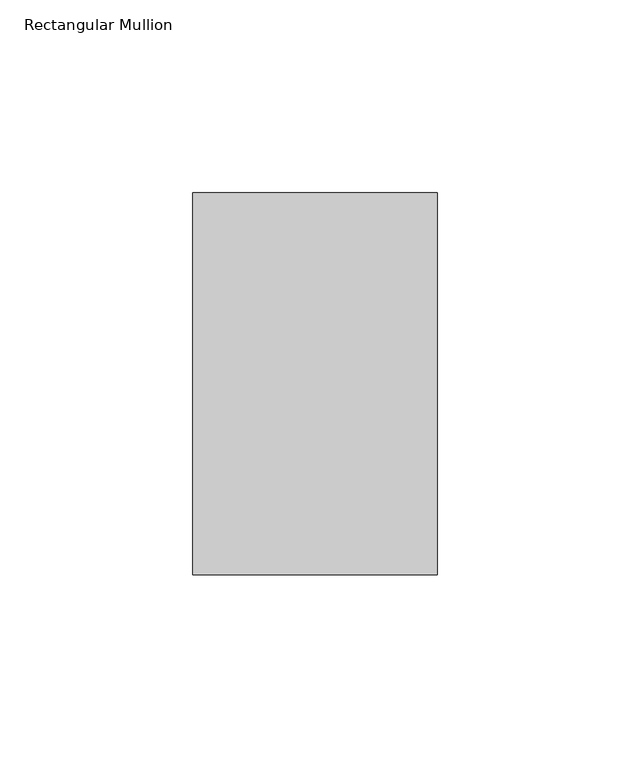
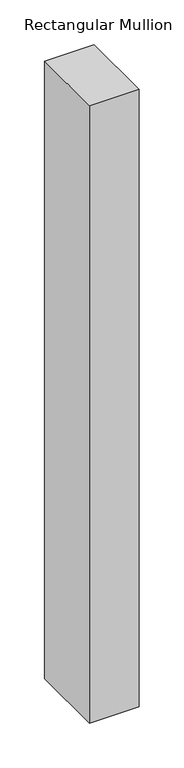
"""IFC4 building model written with IfcOpenShell, lengths in millimetres: member geometry, Rectangular Mullion."""

from ifc_helpers import new_model, si_unit, frame, origin, place, context, project, spatial, polyline, outline, extrude, source, transform, mapped, element, save


def rectangular_mullion_09d5aba9(model_context):
    return source(origin(), model_context, "Body", "SweptSolid", [
        extrude(outline(polyline([(31.75, 138.7038437), (31.75, 39.3898437), (-31.75, 39.3898437), (-31.75, 138.7038437), (31.75, 138.7038437)])), frame((0.0, 0.0, -838.2), z_axis=(0.0, 0.0, 1.0), x_axis=(1.0, 0.0, 0.0)), (0.0, 0.0, 1.0), 838.2),
    ])


if __name__ == "__main__":
    model = new_model("IFC4")
    model_context = context("Model", 3, world=origin())
    ifc_project = project(units=[si_unit("LENGTHUNIT", "METRE", prefix="MILLI")], contexts=[model_context])
    site = spatial("IfcSite", under=ifc_project)
    building = spatial("IfcBuilding", under=site)
    placement = place(None, origin())
    rectangular_mullion_shape = rectangular_mullion_09d5aba9(model_context)
    element("IfcMember", 1, ObjectType="Rectangular Mullion", at=placement, inside=building, context=model_context, shape_type="MappedRepresentation", body=[
        mapped(rectangular_mullion_shape, transform((0.0, 0.0, 0.0), x_axis=(1.0, 0.0, 0.0), y_axis=(0.0, 1.0, 0.0), z_axis=(0.0, 0.0, 1.0))),
    ])
    save(model, "model.ifc")
